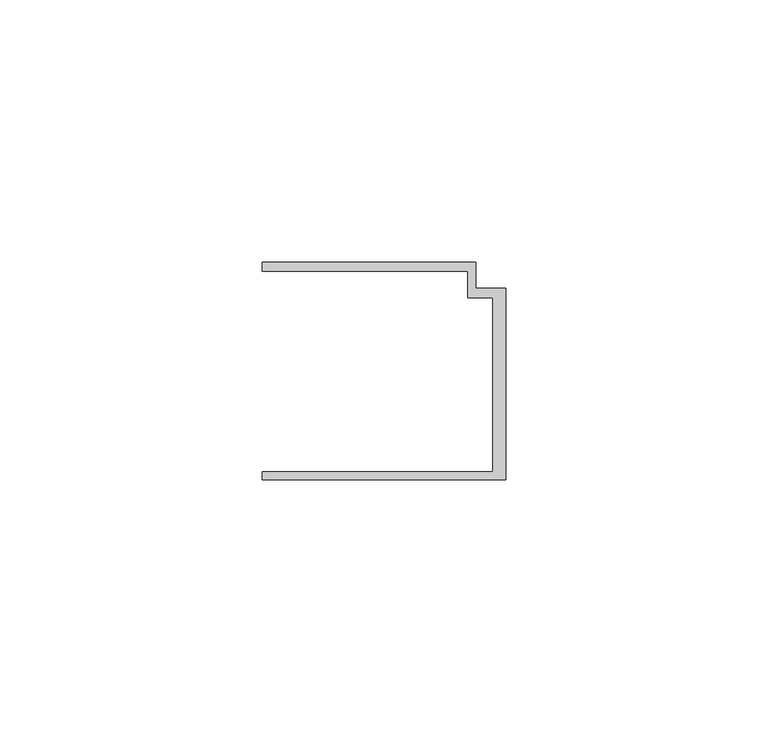
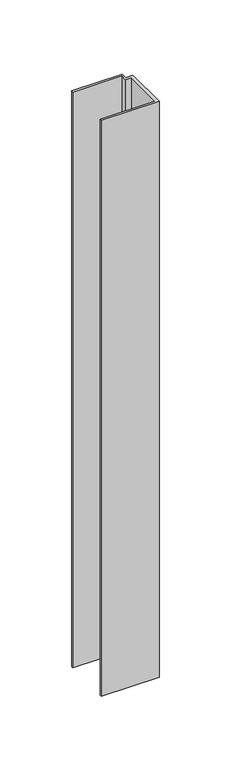
"""IFC4 building model written with IfcOpenShell, lengths in millimetres: member geometry."""

from ifc_helpers import new_model, si_unit, frame, origin, place, context, project, spatial, polyline, outline, extrude, source, transform, mapped, element, save


def member_f665e52d(model_context):
    return source(origin(), model_context, "Body", "SweptSolid", [
        extrude(outline(polyline([(-46.3, -19.2), (-2.4, -19.2), (-2.4, 14.0), (-7.2, 14.0), (-7.2, 19.0), (-46.3, 19.0), (-46.3, 20.7), (-5.6999992, 20.7), (-5.6999992, 15.8), (0.0, 15.8), (0.0, -20.7), (-46.3, -20.7), (-46.3, -19.2)])), frame((0.0, 0.0, -489.8), z_axis=(0.0, 0.0, 1.0), x_axis=(1.0, 0.0, 0.0)), (0.0, 0.0, 1.0), 489.8),
    ])


if __name__ == "__main__":
    model = new_model("IFC4")
    model_context = context("Model", 3, world=origin())
    ifc_project = project(units=[si_unit("LENGTHUNIT", "METRE", prefix="MILLI")], contexts=[model_context])
    site = spatial("IfcSite", under=ifc_project)
    building = spatial("IfcBuilding", under=site)
    placement = place(None, origin())
    member_shape = member_f665e52d(model_context)
    element("IfcMember", 1, at=placement, inside=building, context=model_context, shape_type="MappedRepresentation", body=[
        mapped(member_shape, transform((0.0, 0.0, 0.0), x_axis=(1.0, 0.0, 0.0), y_axis=(0.0, 1.0, 0.0), z_axis=(0.0, 0.0, 1.0))),
    ])
    save(model, "model.ifc")
